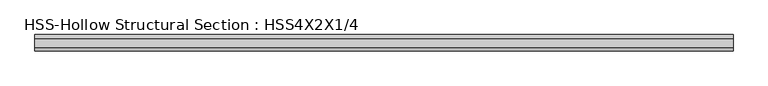
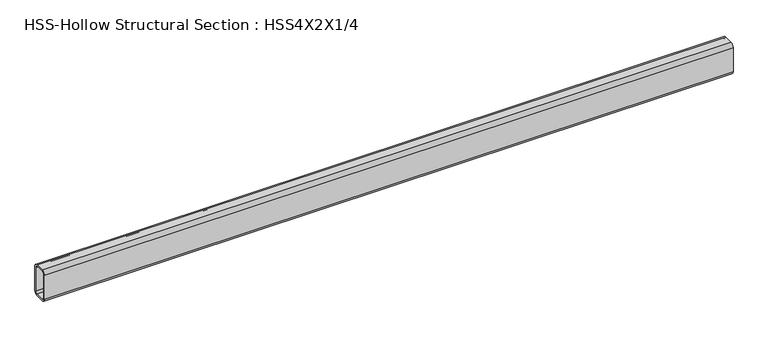
"""IFC4 building model written with IfcOpenShell, lengths in millimetres: beam geometry, HSS-Hollow Structural Section : HSS4X2X1/4."""

from ifc_helpers import new_model, si_unit, point, frame, frame_2d, origin, place, context, project, spatial, polyline, circle_curve, trimmed, segment, composite_curve, outline, extrude, source, transform, mapped, element, save


def hss_hollow_structural_section_hss4x2x1_4_bafb54b6(model_context):
    return source(origin(), model_context, "Body", "SweptSolid", [
        extrude(outline(composite_curve([segment(polyline([(25.4, 38.9636), (25.4, -38.9636)]), True, "CONTINUOUS"), segment(trimmed(circle_curve(frame_2d((13.5636, -38.9636)), 11.8364), [point((25.4, -38.9636))], [point((13.5636, -50.8))], False, "CARTESIAN"), True, "CONTINUOUS"), segment(polyline([(13.5636, -50.8), (-13.5636, -50.8)]), True, "CONTINUOUS"), segment(trimmed(circle_curve(frame_2d((-13.5636, -38.9636)), 11.8364), [point((-13.5636, -50.8))], [point((-25.4, -38.9636))], False, "CARTESIAN"), True, "CONTINUOUS"), segment(polyline([(-25.4, -38.9636), (-25.4, 38.9636)]), True, "CONTINUOUS"), segment(trimmed(circle_curve(frame_2d((-13.5636, 38.9636)), 11.8364), [point((-25.4, 38.9636))], [point((-13.5636, 50.8))], False, "CARTESIAN"), True, "CONTINUOUS"), segment(polyline([(-13.5636, 50.8), (13.5636, 50.8)]), True, "CONTINUOUS"), segment(trimmed(circle_curve(frame_2d((13.5636, 38.9636)), 11.8364), [point((13.5636, 50.8))], [point((25.4, 38.9636))], False, "CARTESIAN"), True, "CONTINUOUS")], self_intersect=False), holes=[composite_curve([segment(trimmed(circle_curve(frame_2d((-13.5636, 38.9636)), 5.9182), [point((-13.5636, 44.8818))], [point((-19.4818, 38.9636))], True, "CARTESIAN"), True, "CONTINUOUS"), segment(polyline([(-19.4818, 38.9636), (-19.4818, -38.9636)]), True, "CONTINUOUS"), segment(trimmed(circle_curve(frame_2d((-13.5636, -38.9636)), 5.9182), [point((-19.4818, -38.9636))], [point((-13.5636, -44.8818))], True, "CARTESIAN"), True, "CONTINUOUS"), segment(polyline([(-13.5636, -44.8818), (13.5636, -44.8818)]), True, "CONTINUOUS"), segment(trimmed(circle_curve(frame_2d((13.5636, -38.9636)), 5.9182), [point((13.5636, -44.8818))], [point((19.4818, -38.9636))], True, "CARTESIAN"), True, "CONTINUOUS"), segment(polyline([(19.4818, -38.9636), (19.4818, 38.9636)]), True, "CONTINUOUS"), segment(trimmed(circle_curve(frame_2d((13.5636, 38.9636)), 5.9182), [point((19.4818, 38.9636))], [point((13.5636, 44.8818))], True, "CARTESIAN"), True, "CONTINUOUS"), segment(polyline([(13.5636, 44.8818), (-13.5636, 44.8818)]), True, "CONTINUOUS")], self_intersect=False)]), frame((-1071.753, 0.0, 0.0), z_axis=(1.0, 0.0, 0.0), x_axis=(0.0, 1.0, 0.0)), (0.0, 0.0, 1.0), 2143.506),
    ])


if __name__ == "__main__":
    model = new_model("IFC4")
    model_context = context("Model", 3, world=origin())
    ifc_project = project(units=[si_unit("LENGTHUNIT", "METRE", prefix="MILLI")], contexts=[model_context])
    site = spatial("IfcSite", under=ifc_project)
    building = spatial("IfcBuilding", under=site)
    placement = place(None, origin())
    hss_hollow_structural_section_hss4x2x1_4_shape = hss_hollow_structural_section_hss4x2x1_4_bafb54b6(model_context)
    element("IfcBeam", 1, ObjectType="HSS-Hollow Structural Section : HSS4X2X1/4", at=placement, inside=building, context=model_context, shape_type="MappedRepresentation", body=[
        mapped(hss_hollow_structural_section_hss4x2x1_4_shape, transform((0.0, 0.0, 0.0), x_axis=(1.0, 0.0, 0.0), y_axis=(0.0, 1.0, 0.0), z_axis=(0.0, 0.0, 1.0))),
    ])
    save(model, "model.ifc")
